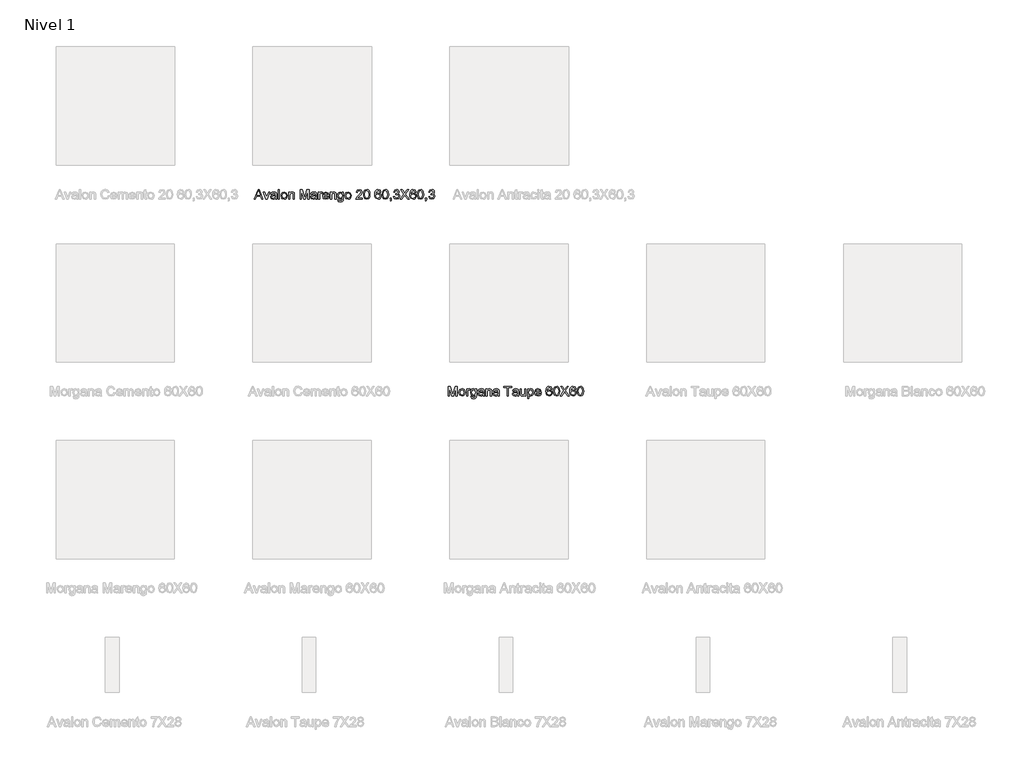
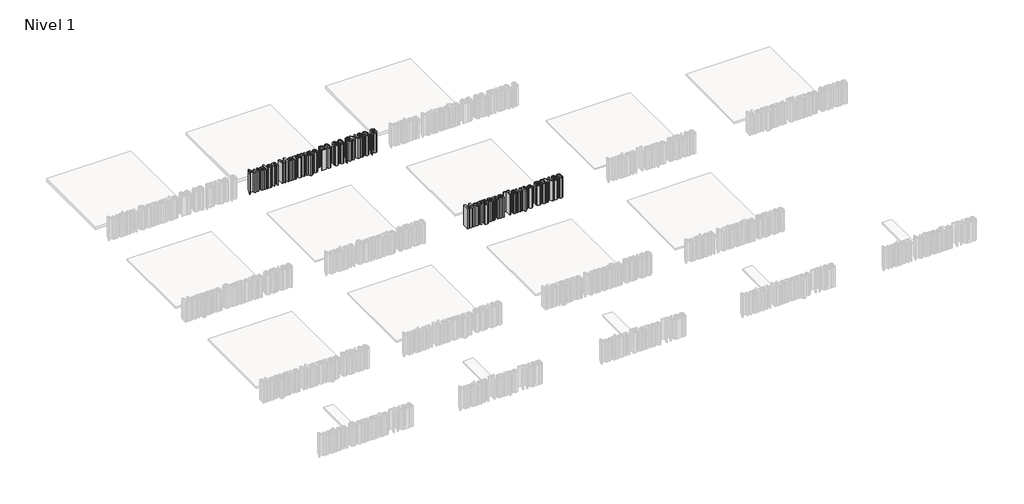
# One storey, part 9 of 11: 2 proxies.
"""IFC4 building model written with IfcOpenShell, lengths in millimetres."""

from ifc_helpers import new_model, si_unit, origin, origin_with_axes, place, context, project, spatial, polyline, outline, extrude, element, save

model = new_model("IFC4")

# Units and contexts
model_context = context("Model", 3, world=origin())
ifc_project = project(units=[si_unit("LENGTHUNIT", "METRE", prefix="MILLI")], contexts=[model_context])

# Site, building, storey
site = spatial("IfcSite", under=ifc_project)
building = spatial("IfcBuilding", under=site)
storey = spatial("IfcBuildingStorey", under=building, Name="Nivel 1", Elevation=0.0)

# Proxies
placement = place(None, origin())
element("IfcBuildingElementProxy", 1, Name="Texto de modelo 1", ObjectType="Texto de modelo 1", at=placement, inside=storey, context=model_context, shape_type="SweptSolid", body=[
    extrude(outline(polyline([(1005.8341766, -172.9229512), (1025.4856189, -123.692182), (1030.7260035, -123.692182), (1050.3774458, -172.9229512), (1043.875042, -172.9229512), (1038.2380227, -157.5383359), (1017.9615804, -157.5383359), (1012.3365804, -172.9229512), (1005.8341766, -172.9229512)]), holes=[polyline([(1020.2211958, -151.3844897), (1035.9904266, -151.3844897), (1031.5553304, -139.2811243), (1028.1058112, -129.8460282), (1025.0409073, -138.223432), (1020.2211958, -151.3844897)])]), origin_with_axes(), (0.0, 0.0, 1.0), 150.0),
    extrude(outline(polyline([(1065.0529266, -172.9229512), (1052.3365804, -136.7691051), (1058.8510035, -136.7691051), (1066.5553304, -158.4277589), (1068.875042, -165.7114128), (1071.1466766, -158.8364128), (1078.8990804, -136.7691051), (1085.4135035, -136.7691051), (1072.8534073, -172.9229512), (1065.0529266, -172.9229512)])), origin_with_axes(), (0.0, 0.0, 1.0), 150.0),
    extrude(outline(polyline([(1113.875042, -168.3075666), (1107.9074939, -172.4782397), (1101.3149458, -173.692182), (1092.3786477, -170.7715089), (1089.2596573, -163.3075666), (1090.437542, -158.4397782), (1093.5324939, -154.9061243), (1097.8413881, -152.8868936), (1103.1659073, -151.9614128), (1113.8389843, -149.8460282), (1112.1803304, -143.9325666), (1105.3774458, -142.1537205), (1099.1514843, -143.3376147), (1096.1827343, -147.5383359), (1090.0288881, -146.7691051), (1092.6911477, -140.7594897), (1098.0517246, -137.2378551), (1106.170715, -135.9998743), (1113.6286477, -137.0936243), (1117.8413881, -139.8400186), (1119.7284073, -144.0167012), (1120.0288881, -149.4013166), (1120.0288881, -157.0575666), (1120.3413881, -167.7486724), (1121.5673496, -172.9229512), (1115.4135035, -172.9229512), (1113.875042, -168.3075666)]), holes=[polyline([(1113.875042, -155.9998743), (1103.9471573, -157.8868936), (1098.6526862, -158.8844897), (1096.2548496, -160.5070859), (1095.4135035, -162.8748743), (1097.2464362, -166.2042012), (1102.625042, -167.5383359), (1108.8510035, -166.0659801), (1112.8654266, -162.5022782), (1113.8389843, -157.7426628), (1113.875042, -155.9998743)])]), origin_with_axes(), (0.0, 0.0, 1.0), 150.0),
    extrude(outline(polyline([(1128.4904266, -172.9229512), (1128.4904266, -123.692182), (1134.6442727, -123.692182), (1134.6442727, -172.9229512), (1128.4904266, -172.9229512)])), origin_with_axes(), (0.0, 0.0, 1.0), 150.0),
    extrude(outline(polyline([(1142.3365804, -154.8460282), (1143.6677102, -146.1290811), (1147.6610996, -140.0022782), (1158.5024458, -135.9998743), (1170.1310516, -140.8736724), (1174.6442727, -154.3412205), (1172.6490804, -165.2907397), (1166.8377823, -171.4866532), (1158.5024458, -173.692182), (1146.8017246, -168.8364128), (1142.3365804, -154.8460282)]), holes=[polyline([(1148.4904266, -154.8340089), (1151.3389843, -164.3712686), (1158.5024458, -167.5383359), (1165.6418689, -164.3532397), (1168.4904266, -154.6417012), (1165.62384, -145.3207878), (1158.5024458, -142.1537205), (1151.3389843, -145.3087686), (1148.4904266, -154.8340089)])]), origin_with_axes(), (0.0, 0.0, 1.0), 150.0),
    extrude(outline(polyline([(1181.5673496, -172.9229512), (1181.5673496, -136.7691051), (1187.7211958, -136.7691051), (1187.7211958, -141.817182), (1192.4267246, -137.4542012), (1198.8510035, -135.9998743), (1204.6623016, -137.1717493), (1208.6286477, -140.2486724), (1210.4735996, -144.7739128), (1210.7981189, -150.723432), (1210.7981189, -172.9229512), (1204.6442727, -172.9229512), (1204.6442727, -151.5527589), (1203.9351381, -146.1080474), (1201.4291285, -143.2294416), (1197.2043689, -142.1537205), (1190.5276862, -144.5695859), (1187.7211958, -153.7402589), (1187.7211958, -172.9229512), (1181.5673496, -172.9229512)])), origin_with_axes(), (0.0, 0.0, 1.0), 150.0),
    extrude(outline(polyline([(1239.2596573, -172.9229512), (1239.2596573, -123.692182), (1249.8485996, -123.692182), (1259.920715, -158.3917012), (1261.951965, -165.6392974), (1264.1514843, -157.7907397), (1274.0553304, -123.692182), (1284.6442727, -123.692182), (1284.6442727, -172.9229512), (1278.4904266, -172.9229512), (1278.4904266, -129.8460282), (1266.1226381, -172.9229512), (1257.781292, -172.9229512), (1245.4135035, -129.8460282), (1245.4135035, -172.9229512), (1239.2596573, -172.9229512)])), origin_with_axes(), (0.0, 0.0, 1.0), 150.0),
    extrude(outline(polyline([(1317.7211958, -168.3075666), (1311.7536477, -172.4782397), (1305.1610996, -173.692182), (1296.2248016, -170.7715089), (1293.1058112, -163.3075666), (1294.2836958, -158.4397782), (1297.3786477, -154.9061243), (1301.687542, -152.8868936), (1307.0120612, -151.9614128), (1317.6851381, -149.8460282), (1316.0264843, -143.9325666), (1309.2235996, -142.1537205), (1302.9976381, -143.3376147), (1300.0288881, -147.5383359), (1293.875042, -146.7691051), (1296.5373016, -140.7594897), (1301.8978785, -137.2378551), (1310.0168689, -135.9998743), (1317.4748016, -137.0936243), (1321.687542, -139.8400186), (1323.5745612, -144.0167012), (1323.875042, -149.4013166), (1323.875042, -157.0575666), (1324.187542, -167.7486724), (1325.4135035, -172.9229512), (1319.2596573, -172.9229512), (1317.7211958, -168.3075666)]), holes=[polyline([(1317.7211958, -155.9998743), (1307.7933112, -157.8868936), (1302.49884, -158.8844897), (1300.1010035, -160.5070859), (1299.2596573, -162.8748743), (1301.09259, -166.2042012), (1306.4711958, -167.5383359), (1312.6971573, -166.0659801), (1316.7115804, -162.5022782), (1317.6851381, -157.7426628), (1317.7211958, -155.9998743)])]), origin_with_axes(), (0.0, 0.0, 1.0), 150.0),
    extrude(outline(polyline([(1332.3365804, -172.9229512), (1332.3365804, -136.7691051), (1337.7211958, -136.7691051), (1337.7211958, -142.1176628), (1341.5433112, -137.1897782), (1345.389465, -135.9998743), (1351.5673496, -137.8989128), (1349.5120612, -143.4157397), (1345.1851381, -142.1537205), (1341.7055708, -143.3676628), (1339.4880227, -146.7330474), (1338.4904266, -153.9205474), (1338.4904266, -172.9229512), (1332.3365804, -172.9229512)])), origin_with_axes(), (0.0, 0.0, 1.0), 150.0),
    extrude(outline(polyline([(1380.7260035, -162.1537205), (1386.7596573, -162.9229512), (1381.1166285, -170.8676628), (1370.6058112, -173.692182), (1357.8293689, -168.8183839), (1353.1058112, -155.1465089), (1357.8774458, -141.0239128), (1370.2572535, -135.9998743), (1382.2824939, -141.0118936), (1386.951965, -155.1104512), (1386.9159073, -156.7691051), (1359.2596573, -156.7691051), (1362.7993208, -164.7618936), (1370.7260035, -167.5383359), (1376.7596573, -166.2522782), (1380.7260035, -162.1537205)]), holes=[polyline([(1359.2596573, -150.6152589), (1380.7981189, -150.6152589), (1378.3341766, -145.0383359), (1370.233215, -142.1537205), (1362.65509, -144.4554032), (1359.2596573, -150.6152589)])]), origin_with_axes(), (0.0, 0.0, 1.0), 150.0),
    extrude(outline(polyline([(1393.1058112, -172.9229512), (1393.1058112, -136.7691051), (1399.2596573, -136.7691051), (1399.2596573, -141.817182), (1403.9651862, -137.4542012), (1410.389465, -135.9998743), (1416.2007631, -137.1717493), (1420.1671093, -140.2486724), (1422.0120612, -144.7739128), (1422.3365804, -150.723432), (1422.3365804, -172.9229512), (1416.1827343, -172.9229512), (1416.1827343, -151.5527589), (1415.4735996, -146.1080474), (1412.96759, -143.2294416), (1408.7428304, -142.1537205), (1402.0661477, -144.5695859), (1399.2596573, -153.7402589), (1399.2596573, -172.9229512), (1393.1058112, -172.9229512)])), origin_with_axes(), (0.0, 0.0, 1.0), 150.0),
    extrude(outline(polyline([(1429.2596573, -175.9998743), (1435.4135035, -176.7691051), (1437.4086958, -180.0142974), (1443.3822535, -181.3844897), (1449.6803304, -179.8340089), (1452.6851381, -175.4830474), (1453.1058112, -168.3075666), (1443.4904266, -172.9229512), (1432.4147054, -167.5503551), (1428.4904266, -154.6657397), (1430.2512439, -145.1284801), (1435.3473977, -138.379682), (1443.1899458, -135.9998743), (1453.1058112, -141.3844897), (1453.1058112, -136.7691051), (1459.2596573, -136.7691051), (1459.2596573, -167.9830474), (1457.576965, -179.9361724), (1452.2464362, -185.4950666), (1443.2620612, -187.5383359), (1433.0276862, -184.6597301), (1429.2596573, -175.9998743)]), holes=[polyline([(1434.6442727, -154.2450666), (1437.2704746, -163.770307), (1443.8630227, -166.7691051), (1450.4435516, -163.7883359), (1453.1058112, -154.4253551), (1450.3654266, -145.2486724), (1443.7668689, -142.1537205), (1437.3065323, -145.2005955), (1434.6442727, -154.2450666)])]), origin_with_axes(), (0.0, 0.0, 1.0), 150.0),
    extrude(outline(polyline([(1466.951965, -154.8460282), (1468.2830948, -146.1290811), (1472.2764843, -140.0022782), (1483.1178304, -135.9998743), (1494.7464362, -140.8736724), (1499.2596573, -154.3412205), (1497.264465, -165.2907397), (1491.453167, -171.4866532), (1483.1178304, -173.692182), (1471.4171093, -168.8364128), (1466.951965, -154.8460282)]), holes=[polyline([(1473.1058112, -154.8340089), (1475.9543689, -164.3712686), (1483.1178304, -167.5383359), (1490.2572535, -164.3532397), (1493.1058112, -154.6417012), (1490.2392246, -145.3207878), (1483.1178304, -142.1537205), (1475.9543689, -145.3087686), (1473.1058112, -154.8340089)])]), origin_with_axes(), (0.0, 0.0, 1.0), 150.0),
    extrude(outline(polyline([(1555.4135035, -166.7691051), (1555.4135035, -172.9229512), (1523.1058112, -172.9229512), (1523.7668689, -168.6801628), (1527.5048496, -162.1477109), (1535.2091766, -155.0142974), (1545.8341766, -144.7618936), (1548.4904266, -137.7907397), (1545.984417, -132.1477109), (1539.4399458, -129.8460282), (1532.6190323, -132.0936243), (1530.0288881, -138.3075666), (1523.875042, -137.5383359), (1528.59259, -127.2378551), (1539.5721573, -123.692182), (1550.5877823, -127.6344897), (1554.6442727, -137.4181436), (1553.5505227, -143.2534801), (1549.9147054, -149.2871339), (1541.0985996, -157.7186243), (1534.0192727, -163.6380955), (1531.2428304, -166.7691051), (1555.4135035, -166.7691051)])), origin_with_axes(), (0.0, 0.0, 1.0), 150.0),
    extrude(outline(polyline([(1561.5673496, -148.7042012), (1563.3762439, -134.5395378), (1568.74884, -126.3724705), (1577.7211958, -123.692182), (1584.9086958, -125.2787205), (1589.8726381, -129.8520378), (1592.7572535, -137.1356916), (1593.875042, -148.7042012), (1592.0841766, -162.8087686), (1586.7296093, -170.9938647), (1577.7211958, -173.692182), (1566.4711958, -169.004682), (1562.7933112, -160.6783599), (1561.5673496, -148.7042012)]), holes=[polyline([(1567.7211958, -148.692182), (1570.6058112, -163.9746339), (1577.7211958, -167.5383359), (1584.8365804, -163.9626147), (1587.7211958, -148.692182), (1584.9327343, -133.5840089), (1577.6490804, -129.8460282), (1570.701965, -133.1392974), (1567.7211958, -148.692182)])]), origin_with_axes(), (0.0, 0.0, 1.0), 150.0),
    extrude(outline(polyline([(1650.0288881, -136.7691051), (1643.875042, -137.5383359), (1641.5433112, -132.4061243), (1635.3774458, -129.8460282), (1629.8245612, -131.3364128), (1625.62384, -136.9313647), (1623.875042, -147.8989128), (1629.3017246, -142.989057), (1636.0264843, -141.3844897), (1646.483215, -145.7715089), (1650.7981189, -157.1056436), (1648.7668689, -165.5972301), (1643.1779266, -171.6068455), (1635.1130227, -173.692182), (1622.5709554, -168.1633359), (1618.9336357, -160.8436243), (1617.7211958, -149.942182), (1619.0673496, -137.6855714), (1623.1058112, -129.3051628), (1628.6196333, -125.0954272), (1635.7620612, -123.692182), (1645.4856189, -127.1657397), (1650.0288881, -136.7691051)]), holes=[polyline([(1623.875042, -157.0094897), (1625.2993208, -162.3400186), (1629.0853785, -166.2102109), (1634.6322535, -167.5383359), (1641.8858593, -164.785932), (1644.6442727, -157.3099705), (1641.921917, -150.1525186), (1634.3798496, -147.5383359), (1626.9339362, -150.1525186), (1623.875042, -157.0094897)])]), origin_with_axes(), (0.0, 0.0, 1.0), 150.0),
    extrude(outline(polyline([(1656.1827343, -148.7042012), (1657.9916285, -134.5395378), (1663.3642246, -126.3724705), (1672.3365804, -123.692182), (1679.5240804, -125.2787205), (1684.4880227, -129.8520378), (1687.3726381, -137.1356916), (1688.4904266, -148.7042012), (1686.6995612, -162.8087686), (1681.3449939, -170.9938647), (1672.3365804, -173.692182), (1661.0865804, -169.004682), (1657.4086958, -160.6783599), (1656.1827343, -148.7042012)]), holes=[polyline([(1662.3365804, -148.692182), (1665.2211958, -163.9746339), (1672.3365804, -167.5383359), (1679.451965, -163.9626147), (1682.3365804, -148.692182), (1679.5481189, -133.5840089), (1672.264465, -129.8460282), (1665.3173496, -133.1392974), (1662.3365804, -148.692182)])]), origin_with_axes(), (0.0, 0.0, 1.0), 150.0),
    extrude(outline(polyline([(1696.951965, -172.9229512), (1696.951965, -166.7691051), (1703.1058112, -166.7691051), (1703.1058112, -172.9229512), (1702.000042, -179.2150186), (1698.4904266, -182.9229512), (1696.951965, -180.6152589), (1699.2115804, -177.9590089), (1700.0168689, -172.9229512), (1696.951965, -172.9229512)])), origin_with_axes(), (0.0, 0.0, 1.0), 150.0),
    extrude(outline(polyline([(1713.1058112, -159.8460282), (1719.2596573, -159.0767974), (1722.65509, -165.5551628), (1729.0072535, -167.5383359), (1736.483215, -164.8099705), (1739.2596573, -158.0551628), (1736.5072535, -151.6909801), (1729.5120612, -149.1729512), (1725.1971573, -149.8460282), (1725.8822535, -143.692182), (1733.8510035, -141.9974705), (1736.951965, -136.5647782), (1734.7043689, -131.7510762), (1728.9110996, -129.8460282), (1723.045715, -131.7691051), (1720.0288881, -137.5383359), (1713.875042, -136.7691051), (1718.9110996, -127.1176628), (1728.6947535, -123.692182), (1736.1166285, -125.3808839), (1741.3089362, -129.9962686), (1743.1058112, -136.2042012), (1741.3990804, -141.8772782), (1736.3510035, -145.9517974), (1743.0577343, -150.1585282), (1745.4135035, -158.1633359), (1740.701965, -169.1729512), (1728.7909073, -173.692182), (1717.9976381, -169.8340089), (1713.1058112, -159.8460282)])), origin_with_axes(), (0.0, 0.0, 1.0), 150.0),
    extrude(outline(polyline([(1747.7211958, -172.9229512), (1766.6995612, -146.0960282), (1750.7981189, -123.692182), (1758.1779266, -123.692182), (1767.1322535, -136.3003551), (1770.1490804, -141.2162205), (1773.6827343, -136.2162205), (1782.5409073, -123.692182), (1790.0288881, -123.692182), (1774.1274458, -146.1681436), (1793.1058112, -172.9229512), (1785.7260035, -172.9229512), (1773.0817727, -155.0864128), (1770.4495612, -151.3844897), (1767.5529266, -155.4469897), (1755.2091766, -172.9229512), (1747.7211958, -172.9229512)])), origin_with_axes(), (0.0, 0.0, 1.0), 150.0),
    extrude(outline(polyline([(1828.4904266, -136.7691051), (1822.3365804, -137.5383359), (1820.0048496, -132.4061243), (1813.8389843, -129.8460282), (1808.2860996, -131.3364128), (1804.0853785, -136.9313647), (1802.3365804, -147.8989128), (1807.7632631, -142.989057), (1814.4880227, -141.3844897), (1824.9447535, -145.7715089), (1829.2596573, -157.1056436), (1827.2284073, -165.5972301), (1821.639465, -171.6068455), (1813.5745612, -173.692182), (1801.0324939, -168.1633359), (1797.3951742, -160.8436243), (1796.1827343, -149.942182), (1797.5288881, -137.6855714), (1801.5673496, -129.3051628), (1807.0811718, -125.0954272), (1814.2235996, -123.692182), (1823.9471573, -127.1657397), (1828.4904266, -136.7691051)]), holes=[polyline([(1802.3365804, -157.0094897), (1803.7608593, -162.3400186), (1807.546917, -166.2102109), (1813.093792, -167.5383359), (1820.3473977, -164.785932), (1823.1058112, -157.3099705), (1820.3834554, -150.1525186), (1812.8413881, -147.5383359), (1805.3954746, -150.1525186), (1802.3365804, -157.0094897)])]), origin_with_axes(), (0.0, 0.0, 1.0), 150.0),
    extrude(outline(polyline([(1834.6442727, -148.7042012), (1836.453167, -134.5395378), (1841.8257631, -126.3724705), (1850.7981189, -123.692182), (1857.9856189, -125.2787205), (1862.9495612, -129.8520378), (1865.8341766, -137.1356916), (1866.951965, -148.7042012), (1865.1610996, -162.8087686), (1859.8065323, -170.9938647), (1850.7981189, -173.692182), (1839.5481189, -169.004682), (1835.8702343, -160.6783599), (1834.6442727, -148.7042012)]), holes=[polyline([(1840.7981189, -148.692182), (1843.6827343, -163.9746339), (1850.7981189, -167.5383359), (1857.9135035, -163.9626147), (1860.7981189, -148.692182), (1858.0096573, -133.5840089), (1850.7260035, -129.8460282), (1843.7788881, -133.1392974), (1840.7981189, -148.692182)])]), origin_with_axes(), (0.0, 0.0, 1.0), 150.0),
    extrude(outline(polyline([(1875.4135035, -172.9229512), (1875.4135035, -166.7691051), (1881.5673496, -166.7691051), (1881.5673496, -172.9229512), (1880.4615804, -179.2150186), (1876.951965, -182.9229512), (1875.4135035, -180.6152589), (1877.6731189, -177.9590089), (1878.4784073, -172.9229512), (1875.4135035, -172.9229512)])), origin_with_axes(), (0.0, 0.0, 1.0), 150.0),
    extrude(outline(polyline([(1891.5673496, -159.8460282), (1897.7211958, -159.0767974), (1901.1166285, -165.5551628), (1907.468792, -167.5383359), (1914.9447535, -164.8099705), (1917.7211958, -158.0551628), (1914.968792, -151.6909801), (1907.9735996, -149.1729512), (1903.6586958, -149.8460282), (1904.343792, -143.692182), (1912.312542, -141.9974705), (1915.4135035, -136.5647782), (1913.1659073, -131.7510762), (1907.3726381, -129.8460282), (1901.5072535, -131.7691051), (1898.4904266, -137.5383359), (1892.3365804, -136.7691051), (1897.3726381, -127.1176628), (1907.156292, -123.692182), (1914.578167, -125.3808839), (1919.7704746, -129.9962686), (1921.5673496, -136.2042012), (1919.8606189, -141.8772782), (1914.812542, -145.9517974), (1921.5192727, -150.1585282), (1923.875042, -158.1633359), (1919.1635035, -169.1729512), (1907.2524458, -173.692182), (1896.4591766, -169.8340089), (1891.5673496, -159.8460282)])), origin_with_axes(), (0.0, 0.0, 1.0), 150.0),
])
element("IfcBuildingElementProxy", 2, Name="Texto de modelo 1", ObjectType="Texto de modelo 1", at=placement, inside=storey, context=model_context, shape_type="SweptSolid", body=[
    extrude(outline(polyline([(1991.5673496, -1172.9229512), (1991.5673496, -1123.692182), (2002.156292, -1123.692182), (2012.2284073, -1158.3917012), (2014.2596573, -1165.6392974), (2016.4591766, -1157.7907397), (2026.3630227, -1123.692182), (2036.951965, -1123.692182), (2036.951965, -1172.9229512), (2030.7981189, -1172.9229512), (2030.7981189, -1129.8460282), (2018.4303304, -1172.9229512), (2010.0889843, -1172.9229512), (1997.7211958, -1129.8460282), (1997.7211958, -1172.9229512), (1991.5673496, -1172.9229512)])), origin_with_axes(), (0.0, 0.0, 1.0), 150.0),
    extrude(outline(polyline([(2045.4135035, -1154.8460282), (2046.7446333, -1146.1290811), (2050.7380227, -1140.0022782), (2061.5793689, -1135.9998743), (2073.2079746, -1140.8736724), (2077.7211958, -1154.3412205), (2075.7260035, -1165.2907397), (2069.9147054, -1171.4866532), (2061.5793689, -1173.692182), (2049.8786477, -1168.8364128), (2045.4135035, -1154.8460282)]), holes=[polyline([(2051.5673496, -1154.8340089), (2054.4159073, -1164.3712686), (2061.5793689, -1167.5383359), (2068.718792, -1164.3532397), (2071.5673496, -1154.6417012), (2068.7007631, -1145.3207878), (2061.5793689, -1142.1537205), (2054.4159073, -1145.3087686), (2051.5673496, -1154.8340089)])]), origin_with_axes(), (0.0, 0.0, 1.0), 150.0),
    extrude(outline(polyline([(2084.6442727, -1172.9229512), (2084.6442727, -1136.7691051), (2090.0288881, -1136.7691051), (2090.0288881, -1142.1176628), (2093.8510035, -1137.1897782), (2097.6971573, -1135.9998743), (2103.875042, -1137.8989128), (2101.8197535, -1143.4157397), (2097.4928304, -1142.1537205), (2094.0132631, -1143.3676628), (2091.795715, -1146.7330474), (2090.7981189, -1153.9205474), (2090.7981189, -1172.9229512), (2084.6442727, -1172.9229512)])), origin_with_axes(), (0.0, 0.0, 1.0), 150.0),
    extrude(outline(polyline([(2106.1827343, -1175.9998743), (2112.3365804, -1176.7691051), (2114.3317727, -1180.0142974), (2120.3053304, -1181.3844897), (2126.6034073, -1179.8340089), (2129.608215, -1175.4830474), (2130.0288881, -1168.3075666), (2120.4135035, -1172.9229512), (2109.3377823, -1167.5503551), (2105.4135035, -1154.6657397), (2107.1743208, -1145.1284801), (2112.2704746, -1138.379682), (2120.1130227, -1135.9998743), (2130.0288881, -1141.3844897), (2130.0288881, -1136.7691051), (2136.1827343, -1136.7691051), (2136.1827343, -1167.9830474), (2134.500042, -1179.9361724), (2129.1695131, -1185.4950666), (2120.1851381, -1187.5383359), (2109.9507631, -1184.6597301), (2106.1827343, -1175.9998743)]), holes=[polyline([(2111.5673496, -1154.2450666), (2114.1935516, -1163.770307), (2120.7860996, -1166.7691051), (2127.3666285, -1163.7883359), (2130.0288881, -1154.4253551), (2127.2885035, -1145.2486724), (2120.6899458, -1142.1537205), (2114.2296093, -1145.2005955), (2111.5673496, -1154.2450666)])]), origin_with_axes(), (0.0, 0.0, 1.0), 150.0),
    extrude(outline(polyline([(2168.4904266, -1168.3075666), (2162.5228785, -1172.4782397), (2155.9303304, -1173.692182), (2146.9940323, -1170.7715089), (2143.875042, -1163.3075666), (2145.0529266, -1158.4397782), (2148.1478785, -1154.9061243), (2152.4567727, -1152.8868936), (2157.781292, -1151.9614128), (2168.4543689, -1149.8460282), (2166.795715, -1143.9325666), (2159.9928304, -1142.1537205), (2153.7668689, -1143.3376147), (2150.7981189, -1147.5383359), (2144.6442727, -1146.7691051), (2147.3065323, -1140.7594897), (2152.6671093, -1137.2378551), (2160.7860996, -1135.9998743), (2168.2440323, -1137.0936243), (2172.4567727, -1139.8400186), (2174.343792, -1144.0167012), (2174.6442727, -1149.4013166), (2174.6442727, -1157.0575666), (2174.9567727, -1167.7486724), (2176.1827343, -1172.9229512), (2170.0288881, -1172.9229512), (2168.4904266, -1168.3075666)]), holes=[polyline([(2168.4904266, -1155.9998743), (2158.562542, -1157.8868936), (2153.2680708, -1158.8844897), (2150.8702343, -1160.5070859), (2150.0288881, -1162.8748743), (2151.8618208, -1166.2042012), (2157.2404266, -1167.5383359), (2163.4663881, -1166.0659801), (2167.4808112, -1162.5022782), (2168.4543689, -1157.7426628), (2168.4904266, -1155.9998743)])]), origin_with_axes(), (0.0, 0.0, 1.0), 150.0),
    extrude(outline(polyline([(2183.1058112, -1172.9229512), (2183.1058112, -1136.7691051), (2189.2596573, -1136.7691051), (2189.2596573, -1141.817182), (2193.9651862, -1137.4542012), (2200.389465, -1135.9998743), (2206.2007631, -1137.1717493), (2210.1671093, -1140.2486724), (2212.0120612, -1144.7739128), (2212.3365804, -1150.723432), (2212.3365804, -1172.9229512), (2206.1827343, -1172.9229512), (2206.1827343, -1151.5527589), (2205.4735996, -1146.1080474), (2202.96759, -1143.2294416), (2198.7428304, -1142.1537205), (2192.0661477, -1144.5695859), (2189.2596573, -1153.7402589), (2189.2596573, -1172.9229512), (2183.1058112, -1172.9229512)])), origin_with_axes(), (0.0, 0.0, 1.0), 150.0),
    extrude(outline(polyline([(2243.875042, -1168.3075666), (2237.9074939, -1172.4782397), (2231.3149458, -1173.692182), (2222.3786477, -1170.7715089), (2219.2596573, -1163.3075666), (2220.437542, -1158.4397782), (2223.5324939, -1154.9061243), (2227.8413881, -1152.8868936), (2233.1659073, -1151.9614128), (2243.8389843, -1149.8460282), (2242.1803304, -1143.9325666), (2235.3774458, -1142.1537205), (2229.1514843, -1143.3376147), (2226.1827343, -1147.5383359), (2220.0288881, -1146.7691051), (2222.6911477, -1140.7594897), (2228.0517246, -1137.2378551), (2236.170715, -1135.9998743), (2243.6286477, -1137.0936243), (2247.8413881, -1139.8400186), (2249.7284073, -1144.0167012), (2250.0288881, -1149.4013166), (2250.0288881, -1157.0575666), (2250.3413881, -1167.7486724), (2251.5673496, -1172.9229512), (2245.4135035, -1172.9229512), (2243.875042, -1168.3075666)]), holes=[polyline([(2243.875042, -1155.9998743), (2233.9471573, -1157.8868936), (2228.6526862, -1158.8844897), (2226.2548496, -1160.5070859), (2225.4135035, -1162.8748743), (2227.2464362, -1166.2042012), (2232.625042, -1167.5383359), (2238.8510035, -1166.0659801), (2242.8654266, -1162.5022782), (2243.8389843, -1157.7426628), (2243.875042, -1155.9998743)])]), origin_with_axes(), (0.0, 0.0, 1.0), 150.0),
    extrude(outline(polyline([(2290.7981189, -1172.9229512), (2290.7981189, -1129.8460282), (2274.6442727, -1129.8460282), (2274.6442727, -1123.692182), (2313.1058112, -1123.692182), (2313.1058112, -1129.8460282), (2296.951965, -1129.8460282), (2296.951965, -1172.9229512), (2290.7981189, -1172.9229512)])), origin_with_axes(), (0.0, 0.0, 1.0), 150.0),
    extrude(outline(polyline([(2342.3365804, -1168.3075666), (2336.3690323, -1172.4782397), (2329.7764843, -1173.692182), (2320.8401862, -1170.7715089), (2317.7211958, -1163.3075666), (2318.8990804, -1158.4397782), (2321.9940323, -1154.9061243), (2326.3029266, -1152.8868936), (2331.6274458, -1151.9614128), (2342.3005227, -1149.8460282), (2340.6418689, -1143.9325666), (2333.8389843, -1142.1537205), (2327.6130227, -1143.3376147), (2324.6442727, -1147.5383359), (2318.4904266, -1146.7691051), (2321.1526862, -1140.7594897), (2326.5132631, -1137.2378551), (2334.6322535, -1135.9998743), (2342.0901862, -1137.0936243), (2346.3029266, -1139.8400186), (2348.1899458, -1144.0167012), (2348.4904266, -1149.4013166), (2348.4904266, -1157.0575666), (2348.8029266, -1167.7486724), (2350.0288881, -1172.9229512), (2343.875042, -1172.9229512), (2342.3365804, -1168.3075666)]), holes=[polyline([(2342.3365804, -1155.9998743), (2332.4086958, -1157.8868936), (2327.1142246, -1158.8844897), (2324.7163881, -1160.5070859), (2323.875042, -1162.8748743), (2325.7079746, -1166.2042012), (2331.0865804, -1167.5383359), (2337.312542, -1166.0659801), (2341.326965, -1162.5022782), (2342.3005227, -1157.7426628), (2342.3365804, -1155.9998743)])]), origin_with_axes(), (0.0, 0.0, 1.0), 150.0),
    extrude(outline(polyline([(2380.0288881, -1172.9229512), (2380.0288881, -1166.7090089), (2375.2091766, -1171.9463887), (2368.9231189, -1173.692182), (2363.1358593, -1172.4662205), (2359.1454746, -1169.3892974), (2357.312542, -1164.8580474), (2356.951965, -1159.1368936), (2356.951965, -1136.7691051), (2363.1058112, -1136.7691051), (2363.1058112, -1156.2402589), (2363.4784073, -1162.5142974), (2365.9123016, -1166.1981916), (2370.4976381, -1167.5383359), (2375.6358593, -1166.1681436), (2379.031292, -1162.4361724), (2380.0288881, -1155.5792012), (2380.0288881, -1136.7691051), (2386.1827343, -1136.7691051), (2386.1827343, -1172.9229512), (2380.0288881, -1172.9229512)])), origin_with_axes(), (0.0, 0.0, 1.0), 150.0),
    extrude(outline(polyline([(2394.6442727, -1186.7691051), (2394.6442727, -1136.7691051), (2400.7981189, -1136.7691051), (2400.7981189, -1142.8027589), (2405.0529266, -1137.7005955), (2410.7981189, -1135.9998743), (2418.5985996, -1138.379682), (2423.6947535, -1145.0864128), (2425.4135035, -1154.5695859), (2423.4723977, -1164.5395378), (2417.8353785, -1171.3304032), (2410.0529266, -1173.692182), (2404.6983593, -1172.1116532), (2400.7981189, -1168.1152589), (2400.7981189, -1186.7691051), (2394.6442727, -1186.7691051)]), holes=[polyline([(2400.7981189, -1155.1344897), (2403.4603785, -1164.5094897), (2409.920715, -1167.5383359), (2416.5132631, -1164.4013166), (2419.2596573, -1154.6777589), (2416.5793689, -1145.2787205), (2410.1731189, -1142.1537205), (2403.640667, -1145.4770378), (2400.7981189, -1155.1344897)])]), origin_with_axes(), (0.0, 0.0, 1.0), 150.0),
    extrude(outline(polyline([(2457.6490804, -1162.1537205), (2463.6827343, -1162.9229512), (2458.0397054, -1170.8676628), (2447.5288881, -1173.692182), (2434.7524458, -1168.8183839), (2430.0288881, -1155.1465089), (2434.8005227, -1141.0239128), (2447.1803304, -1135.9998743), (2459.2055708, -1141.0118936), (2463.875042, -1155.1104512), (2463.8389843, -1156.7691051), (2436.1827343, -1156.7691051), (2439.7223977, -1164.7618936), (2447.6490804, -1167.5383359), (2453.6827343, -1166.2522782), (2457.6490804, -1162.1537205)]), holes=[polyline([(2436.1827343, -1150.6152589), (2457.7211958, -1150.6152589), (2455.2572535, -1145.0383359), (2447.156292, -1142.1537205), (2439.578167, -1144.4554032), (2436.1827343, -1150.6152589)])]), origin_with_axes(), (0.0, 0.0, 1.0), 150.0),
    extrude(outline(polyline([(2519.2596573, -1136.7691051), (2513.1058112, -1137.5383359), (2510.7740804, -1132.4061243), (2504.608215, -1129.8460282), (2499.0553304, -1131.3364128), (2494.8546093, -1136.9313647), (2493.1058112, -1147.8989128), (2498.5324939, -1142.989057), (2505.2572535, -1141.3844897), (2515.7139843, -1145.7715089), (2520.0288881, -1157.1056436), (2517.9976381, -1165.5972301), (2512.4086958, -1171.6068455), (2504.343792, -1173.692182), (2491.8017246, -1168.1633359), (2488.1644049, -1160.8436243), (2486.951965, -1149.942182), (2488.2981189, -1137.6855714), (2492.3365804, -1129.3051628), (2497.8504025, -1125.0954272), (2504.9928304, -1123.692182), (2514.7163881, -1127.1657397), (2519.2596573, -1136.7691051)]), holes=[polyline([(2493.1058112, -1157.0094897), (2494.53009, -1162.3400186), (2498.3161477, -1166.2102109), (2503.8630227, -1167.5383359), (2511.1166285, -1164.785932), (2513.875042, -1157.3099705), (2511.1526862, -1150.1525186), (2503.6106189, -1147.5383359), (2496.1647054, -1150.1525186), (2493.1058112, -1157.0094897)])]), origin_with_axes(), (0.0, 0.0, 1.0), 150.0),
    extrude(outline(polyline([(2525.4135035, -1148.7042012), (2527.2223977, -1134.5395378), (2532.5949939, -1126.3724705), (2541.5673496, -1123.692182), (2548.7548496, -1125.2787205), (2553.718792, -1129.8520378), (2556.6034073, -1137.1356916), (2557.7211958, -1148.7042012), (2555.9303304, -1162.8087686), (2550.5757631, -1170.9938647), (2541.5673496, -1173.692182), (2530.3173496, -1169.004682), (2526.639465, -1160.6783599), (2525.4135035, -1148.7042012)]), holes=[polyline([(2531.5673496, -1148.692182), (2534.451965, -1163.9746339), (2541.5673496, -1167.5383359), (2548.6827343, -1163.9626147), (2551.5673496, -1148.692182), (2548.7788881, -1133.5840089), (2541.4952343, -1129.8460282), (2534.5481189, -1133.1392974), (2531.5673496, -1148.692182)])]), origin_with_axes(), (0.0, 0.0, 1.0), 150.0),
    extrude(outline(polyline([(2560.0288881, -1172.9229512), (2579.0072535, -1146.0960282), (2563.1058112, -1123.692182), (2570.4856189, -1123.692182), (2579.4399458, -1136.3003551), (2582.4567727, -1141.2162205), (2585.9904266, -1136.2162205), (2594.8485996, -1123.692182), (2602.3365804, -1123.692182), (2586.4351381, -1146.1681436), (2605.4135035, -1172.9229512), (2598.0336958, -1172.9229512), (2585.389465, -1155.0864128), (2582.7572535, -1151.3844897), (2579.8606189, -1155.4469897), (2567.5168689, -1172.9229512), (2560.0288881, -1172.9229512)])), origin_with_axes(), (0.0, 0.0, 1.0), 150.0),
    extrude(outline(polyline([(2640.7981189, -1136.7691051), (2634.6442727, -1137.5383359), (2632.312542, -1132.4061243), (2626.1466766, -1129.8460282), (2620.593792, -1131.3364128), (2616.3930708, -1136.9313647), (2614.6442727, -1147.8989128), (2620.0709554, -1142.989057), (2626.795715, -1141.3844897), (2637.2524458, -1145.7715089), (2641.5673496, -1157.1056436), (2639.5360996, -1165.5972301), (2633.9471573, -1171.6068455), (2625.8822535, -1173.692182), (2613.3401862, -1168.1633359), (2609.7028665, -1160.8436243), (2608.4904266, -1149.942182), (2609.8365804, -1137.6855714), (2613.875042, -1129.3051628), (2619.3888641, -1125.0954272), (2626.531292, -1123.692182), (2636.2548496, -1127.1657397), (2640.7981189, -1136.7691051)]), holes=[polyline([(2614.6442727, -1157.0094897), (2616.0685516, -1162.3400186), (2619.8546093, -1166.2102109), (2625.4014843, -1167.5383359), (2632.65509, -1164.785932), (2635.4135035, -1157.3099705), (2632.6911477, -1150.1525186), (2625.1490804, -1147.5383359), (2617.703167, -1150.1525186), (2614.6442727, -1157.0094897)])]), origin_with_axes(), (0.0, 0.0, 1.0), 150.0),
    extrude(outline(polyline([(2646.951965, -1148.7042012), (2648.7608593, -1134.5395378), (2654.1334554, -1126.3724705), (2663.1058112, -1123.692182), (2670.2933112, -1125.2787205), (2675.2572535, -1129.8520378), (2678.1418689, -1137.1356916), (2679.2596573, -1148.7042012), (2677.468792, -1162.8087686), (2672.1142246, -1170.9938647), (2663.1058112, -1173.692182), (2651.8558112, -1169.004682), (2648.1779266, -1160.6783599), (2646.951965, -1148.7042012)]), holes=[polyline([(2653.1058112, -1148.692182), (2655.9904266, -1163.9746339), (2663.1058112, -1167.5383359), (2670.2211958, -1163.9626147), (2673.1058112, -1148.692182), (2670.3173496, -1133.5840089), (2663.0336958, -1129.8460282), (2656.0865804, -1133.1392974), (2653.1058112, -1148.692182)])]), origin_with_axes(), (0.0, 0.0, 1.0), 150.0),
])

save(model, "model.ifc")
